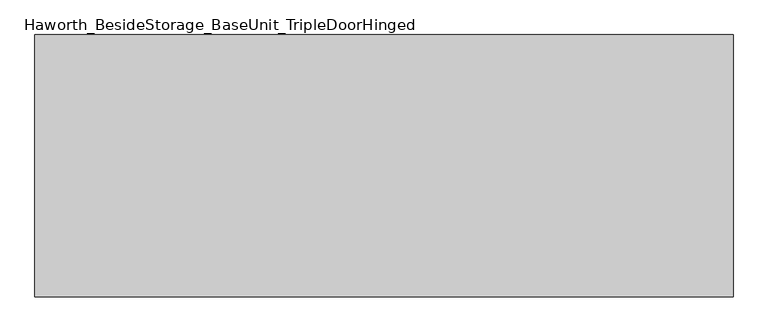
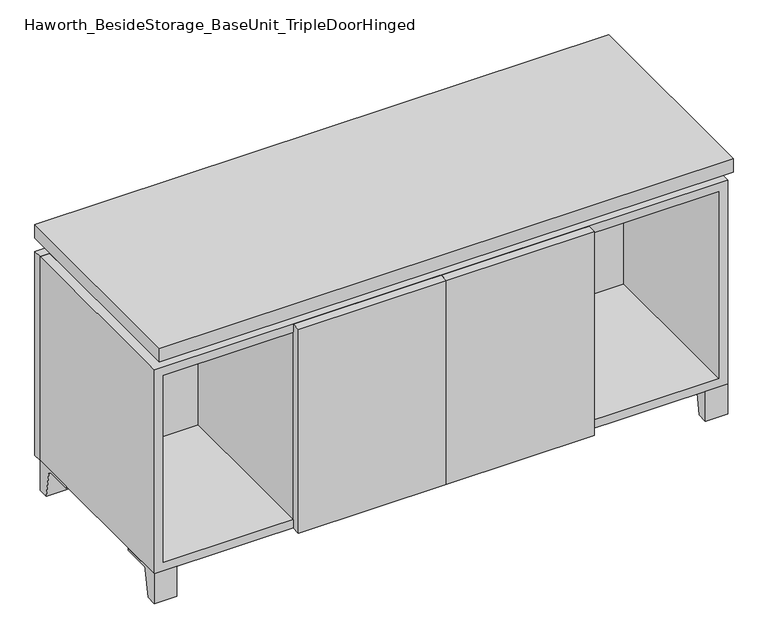
"""IFC4 building model written with IfcOpenShell, lengths in millimetres: furniture geometry, Haworth_BesideStorage_BaseUnit_TripleDoorHinged."""

import ifcopenshell
import ifcopenshell.guid

model = None  # the IFC model being written
_history = None  # IfcOwnerHistory: only IFC2X3 demands one
_inside = {}  # id of a spatial element -> (the spatial element, [elements in it])
_under = {}  # id of a project, library or spatial element -> (it, [spatial elements below it])
_declared = {}  # id of a project -> (the project, [libraries it declares])
_typed = {}  # id of a type object -> (the type object, [elements of that type])
_made_of = {}  # id of a material, layer set ... -> (it, [elements and type objects made of it])


def new_model(schema):
    """Start an empty IFC model of exactly this schema.

    Asked for "IFC4X3", IfcOpenShell would pick the latest addendum, in which some entities
    have other attributes; the version numbers below select the first issue.
    IFC2X3 requires an IfcOwnerHistory on every rooted entity: one is made here for all.
    """
    global model, _history
    if schema == "IFC4X3":
        model = ifcopenshell.file(schema_version=(4, 3, 0, 0))
    else:
        model = ifcopenshell.file(schema=schema)
    _inside.clear()
    _under.clear()
    _declared.clear()
    _typed.clear()
    _made_of.clear()
    _history = None
    if model.schema == "IFC2X3":
        org = make("IfcOrganization", Name="unknown")
        user = make(
            "IfcPersonAndOrganization",
            ThePerson=make("IfcPerson", FamilyName="unknown"),
            TheOrganization=org,
        )
        app = make(
            "IfcApplication",
            ApplicationDeveloper=org,
            Version="unknown",
            ApplicationFullName="unknown",
            ApplicationIdentifier="unknown",
        )
        _history = make(
            "IfcOwnerHistory",
            OwningUser=user,
            OwningApplication=app,
            ChangeAction="ADDED",
            CreationDate=0,
        )
    return model


def make(cls, **values):
    """One entity of the class cls with the attributes given. An attribute that is None is left unset."""
    return model.create_entity(
        cls, **{name: value for name, value in values.items() if value is not None}
    )


def rooted(cls, **values):
    """An entity with a GlobalId (a new one), such as an element, a storey or a relation."""
    return make(cls, GlobalId=ifcopenshell.guid.new(), OwnerHistory=_history, **values)


def si_unit(unit_type, name, prefix=None):
    """IfcSIUnit, for example si_unit("LENGTHUNIT", "METRE", prefix="MILLI")."""
    return make("IfcSIUnit", UnitType=unit_type, Prefix=prefix, Name=name)


def assignment(units):
    """IfcUnitAssignment: the units of a project."""
    return None if units is None else make("IfcUnitAssignment", Units=units)


def point(xyz):
    """IfcCartesianPoint."""
    return None if xyz is None else make("IfcCartesianPoint", Coordinates=xyz)


def direction(xyz):
    """IfcDirection."""
    return None if xyz is None else make("IfcDirection", DirectionRatios=xyz)


def frame(location, z_axis=None, x_axis=None):
    """IfcAxis2Placement3D, a coordinate frame: its origin and axes. An axis left out is left unset."""
    return make(
        "IfcAxis2Placement3D",
        Location=point(location),
        Axis=direction(z_axis),
        RefDirection=direction(x_axis),
    )


def frame_2d(location, x_axis=None):
    """IfcAxis2Placement2D, a coordinate frame in the plane: its origin and x axis."""
    return make(
        "IfcAxis2Placement2D", Location=point(location), RefDirection=direction(x_axis)
    )


def origin():
    """The frame at (0, 0, 0) with its axes left unset."""
    return frame((0.0, 0.0, 0.0))


def place(relative_to, where):
    """IfcLocalPlacement: puts the frame where relative to a parent placement (None: the world)."""
    return make(
        "IfcLocalPlacement", PlacementRelTo=relative_to, RelativePlacement=where
    )


def context(
    kind, dimensions, precision=None, world=None, true_north=None, identifier=None
):
    """IfcGeometricRepresentationContext, for example the 3D "Model" context."""
    return make(
        "IfcGeometricRepresentationContext",
        ContextIdentifier=identifier,
        ContextType=kind,
        CoordinateSpaceDimension=dimensions,
        Precision=precision,
        WorldCoordinateSystem=world,
        TrueNorth=true_north,
    )


def project(units=None, contexts=None):
    """IfcProject with its units and contexts."""
    return rooted(
        "IfcProject",
        Name="project",
        RepresentationContexts=contexts,
        UnitsInContext=assignment(units),
    )


def spatial(cls, under=None, at=None, **own):
    """A site, building, storey or space (cls), placed at a placement, below another one or the project."""
    s = rooted(cls, ObjectPlacement=at, **own)
    if under is not None:
        _under.setdefault(under.id(), (under, []))[1].append(s)
    return s


def polyline(points):
    """IfcPolyline through the points."""
    return make("IfcPolyline", Points=[point(p) for p in points])


def circle_curve(where, radius):
    """IfcCircle in the frame where."""
    return make("IfcCircle", Position=where, Radius=radius)


def trimmed(basis, trim1, trim2, sense, master):
    """IfcTrimmedCurve: the piece of a basis curve between two trims."""
    return make(
        "IfcTrimmedCurve",
        BasisCurve=basis,
        Trim1=trim1,
        Trim2=trim2,
        SenseAgreement=sense,
        MasterRepresentation=master,
    )


def segment(curve, same_sense, transition):
    """IfcCompositeCurveSegment."""
    return make(
        "IfcCompositeCurveSegment",
        Transition=transition,
        SameSense=same_sense,
        ParentCurve=curve,
    )


def composite_curve(segments, self_intersect=None):
    """IfcCompositeCurve: segments joined end to end."""
    return make("IfcCompositeCurve", Segments=segments, SelfIntersect=self_intersect)


def outline(outer, holes=None, kind="AREA"):
    """IfcArbitraryClosedProfileDef: a profile drawn as a closed curve; with holes, ...WithVoids."""
    if holes is None:
        return make("IfcArbitraryClosedProfileDef", ProfileType=kind, OuterCurve=outer)
    return make(
        "IfcArbitraryProfileDefWithVoids",
        ProfileType=kind,
        OuterCurve=outer,
        InnerCurves=holes,
    )


def extrude(swept, where, along, depth):
    """IfcExtrudedAreaSolid: the profile swept, set in the frame where, extruded along a direction by depth."""
    return make(
        "IfcExtrudedAreaSolid",
        SweptArea=swept,
        Position=where,
        ExtrudedDirection=direction(along),
        Depth=depth,
    )


def faces_of(points, faces, orient=None, outer=None):
    """IfcFace entities. A face is a list of loops; a loop is a list of indices into points, from 0.

    orient and outer hold one flag for each loop. By default every Orientation is true, the
    first loop of a face is its IfcFaceOuterBound and the others are IfcFaceBound.
    """
    made = []
    for i, loops in enumerate(faces):
        bounds = []
        for j, loop in enumerate(loops):
            is_outer = j == 0 if outer is None else outer[i][j]
            bounds.append(
                make(
                    "IfcFaceOuterBound" if is_outer else "IfcFaceBound",
                    Bound=make("IfcPolyLoop", Polygon=[points[k] for k in loop]),
                    Orientation=True if orient is None else orient[i][j],
                )
            )
        made.append(make("IfcFace", Bounds=bounds))
    return made


def faceted_brep(points, faces, orient=None, outer=None, voids=None):
    """IfcFacetedBrep: a solid bounded by flat faces; with voids (closed shells), ...WithVoids."""
    shared = [point(p) for p in points]
    hull = make("IfcClosedShell", CfsFaces=faces_of(shared, faces, orient, outer))
    if voids is None:
        return make("IfcFacetedBrep", Outer=hull)
    return make(
        "IfcFacetedBrepWithVoids",
        Outer=hull,
        Voids=[
            make(cls, CfsFaces=faces_of(shared, fs, o, b)) for cls, fs, o, b in voids
        ],
    )


def shape(context_of_items, identifier, shape_type, items):
    """IfcShapeRepresentation: the items that make up one representation, for example the "Body"."""
    return make(
        "IfcShapeRepresentation",
        ContextOfItems=context_of_items,
        RepresentationIdentifier=identifier,
        RepresentationType=shape_type,
        Items=items,
    )


def source(mapping_origin, context_of_items, identifier, shape_type, items):
    """IfcRepresentationMap: a shape defined once, which mapped items show again and again."""
    return make(
        "IfcRepresentationMap",
        MappingOrigin=mapping_origin,
        MappedRepresentation=shape(context_of_items, identifier, shape_type, items),
    )


def transform(
    local_origin,
    x_axis=None,
    y_axis=None,
    z_axis=None,
    scale=None,
    scale2=None,
    scale3=None,
    uniform=True,
):
    """IfcCartesianTransformationOperator3D, or its non-uniform kind. x_axis, y_axis, z_axis: its Axis1, 2, 3."""
    if uniform:
        return make(
            "IfcCartesianTransformationOperator3D",
            Axis1=direction(x_axis),
            Axis2=direction(y_axis),
            LocalOrigin=point(local_origin),
            Scale=scale,
            Axis3=direction(z_axis),
        )
    return make(
        "IfcCartesianTransformationOperator3DnonUniform",
        Axis1=direction(x_axis),
        Axis2=direction(y_axis),
        LocalOrigin=point(local_origin),
        Scale=scale,
        Axis3=direction(z_axis),
        Scale2=scale2,
        Scale3=scale3,
    )


def mapped(mapping_source, mapping_target):
    """IfcMappedItem: shows the shape of a source again, moved by a transform."""
    return make(
        "IfcMappedItem", MappingSource=mapping_source, MappingTarget=mapping_target
    )


def made_of(thing, what):
    """Note that an element or type object is made of a material, layer set ...; save() writes the relation."""
    if what is not None:
        _made_of.setdefault(what.id(), (what, []))[1].append(thing)
    return thing


def element(
    cls,
    number,
    at=None,
    inside=None,
    cuts=None,
    type_object=None,
    material=None,
    context=None,
    identifier="Body",
    shape_type=None,
    held_by="IfcProductDefinitionShape",
    body=None,
    shapes=None,
    **own,
):
    """One element of the class cls, such as IfcWall. Its Tag is "e" and its number.

    at: its placement. inside: the storey or other place that contains it. cuts: it is an
    opening in that element (IfcRelVoidsElement). A single representation is given by context,
    identifier, shape_type and body (its items); several are given by shapes. held_by: the class
    of the entity that holds the representations. save() writes the other relations.
    """
    e = rooted(cls, Tag="e%d" % number, ObjectPlacement=at, **own)
    if body is not None:
        shapes = [shape(context, identifier, shape_type, body)]
    if shapes is not None:
        e.Representation = make(held_by, Representations=shapes)
    if inside is not None:
        _inside.setdefault(inside.id(), (inside, []))[1].append(e)
    if cuts is not None:
        rooted(
            "IfcRelVoidsElement", RelatingBuildingElement=cuts, RelatedOpeningElement=e
        )
    if type_object is not None:
        _typed.setdefault(type_object.id(), (type_object, []))[1].append(e)
    return made_of(e, material)


def aggregate(whole, parts):
    """IfcRelAggregates: a whole, such as a stair, and the parts it consists of."""
    return rooted("IfcRelAggregates", RelatingObject=whole, RelatedObjects=parts)


def save(model, path):
    """Write the relations noted so far, then the file.

    IfcRelAggregates (storeys below a building ...), IfcRelContainedInSpatialStructure (elements
    in a storey), IfcRelDefinesByType, IfcRelAssociatesMaterial and IfcRelDeclares: one each for
    every whole, place, type object, material and project.
    """
    for whole, parts in _under.values():
        aggregate(whole, parts)
    for where, things in _inside.values():
        rooted(
            "IfcRelContainedInSpatialStructure",
            RelatedElements=things,
            RelatingStructure=where,
        )
    for kind, things in _typed.values():
        rooted("IfcRelDefinesByType", RelatedObjects=things, RelatingType=kind)
    for what, things in _made_of.values():
        rooted("IfcRelAssociatesMaterial", RelatedObjects=things, RelatingMaterial=what)
    for by, libraries in _declared.values():
        rooted("IfcRelDeclares", RelatingContext=by, RelatedDefinitions=libraries)
    model.write(path)


def haworth_besidestorage_baseunit_tripledoorhinged_60ce3a8a(model_context):
    return source(origin(), model_context, "Body", "SolidModel", [
        extrude(outline(composite_curve([segment(polyline([(38.6291531, 0.0), (15.875, 0.0), (15.875, 66.675), (111.125, 66.675), (111.125, 61.8963321), (54.3244655, 61.8963321)]), True, "CONTINUOUS"), segment(trimmed(circle_curve(frame_2d((54.3244655, 55.5463321)), 6.35), [point((54.3244655, 61.8963321))], [point((48.0608641, 56.5902656))], True, "CARTESIAN"), True, "CONTINUOUS"), segment(polyline([(48.0608641, 56.5902656), (38.6291531, 0.0)]), True, "CONTINUOUS")], self_intersect=False)), frame((-23.7986094, 0.0, 0.0), z_axis=(1.0, 0.0, 0.0), x_axis=(0.0, 1.0, 0.0)), (0.0, 0.0, 1.0), 47.625),
        extrude(outline(composite_curve([segment(polyline([(-129.6458469, 0.0), (-152.4, 0.0), (-152.4, 66.675), (-57.15, 66.675), (-57.15, 61.8963321), (-113.9505345, 61.8963321)]), True, "CONTINUOUS"), segment(trimmed(circle_curve(frame_2d((-113.9505345, 55.5463321)), 6.35), [point((-113.9505345, 61.8963321))], [point((-120.2141359, 56.5902656))], True, "CARTESIAN"), True, "CONTINUOUS"), segment(polyline([(-120.2141359, 56.5902656), (-129.6458469, 0.0)]), True, "CONTINUOUS")], self_intersect=False)), frame((560.4013906, 0.0, 0.0), z_axis=(1.0, 0.0, 0.0), x_axis=(0.0, 1.0, 0.0)), (0.0, 0.0, 1.0), 47.625),
        extrude(outline(composite_curve([segment(polyline([(243.9458469, 0.0), (234.5141359, 56.5902656)]), True, "CONTINUOUS"), segment(trimmed(circle_curve(frame_2d((228.2505345, 55.5463321)), 6.35), [point((234.5141359, 56.5902656))], [point((228.2505345, 61.8963321))], True, "CARTESIAN"), True, "CONTINUOUS"), segment(polyline([(228.2505345, 61.8963321), (171.45, 61.8963321), (171.45, 66.675), (266.7, 66.675), (266.7, 0.0), (243.9458469, 0.0)]), True, "CONTINUOUS")], self_intersect=False)), frame((560.4013906, 0.0, 0.0), z_axis=(1.0, 0.0, 0.0), x_axis=(0.0, 1.0, 0.0)), (0.0, 0.0, 1.0), 47.625),
        extrude(outline(composite_curve([segment(polyline([(-129.6458469, 0.0), (-152.4, 0.0), (-152.4, 66.675), (-57.15, 66.675), (-57.15, 61.8963321), (-113.9505345, 61.8963321)]), True, "CONTINUOUS"), segment(trimmed(circle_curve(frame_2d((-113.9505345, 55.5463321)), 6.35), [point((-113.9505345, 61.8963321))], [point((-120.2141359, 56.5902656))], True, "CARTESIAN"), True, "CONTINUOUS"), segment(polyline([(-120.2141359, 56.5902656), (-129.6458469, 0.0)]), True, "CONTINUOUS")], self_intersect=False)), frame((-607.9986094, 0.0, 0.0), z_axis=(1.0, 0.0, 0.0), x_axis=(0.0, 1.0, 0.0)), (0.0, 0.0, 1.0), 47.625),
        extrude(outline(composite_curve([segment(polyline([(243.9458469, 0.0), (234.5141359, 56.5902656)]), True, "CONTINUOUS"), segment(trimmed(circle_curve(frame_2d((228.2505345, 55.5463321)), 6.35), [point((234.5141359, 56.5902656))], [point((228.2505345, 61.8963321))], True, "CARTESIAN"), True, "CONTINUOUS"), segment(polyline([(228.2505345, 61.8963321), (171.45, 61.8963321), (171.45, 66.675), (266.7, 66.675), (266.7, 0.0), (243.9458469, 0.0)]), True, "CONTINUOUS")], self_intersect=False)), frame((-607.9986094, 0.0, 0.0), z_axis=(1.0, 0.0, 0.0), x_axis=(0.0, 1.0, 0.0)), (0.0, 0.0, 1.0), 47.625),
        faceted_brep([(-607.9986094, -152.4, 66.675), (608.0125, -152.4, 66.675), (608.0125, -152.4, 523.875), (-607.9986094, -152.4, 523.875), (-588.9486094, -152.4, 85.725), (-588.9486094, -152.4, 504.825), (588.9694453, -152.4, 504.825), (588.9486094, -152.4, 85.725), (-607.9986094, 266.7, 66.675), (-607.9986094, 266.7, 523.875), (-588.9486094, 266.7, 523.875), (-588.9486094, 266.7, 85.725), (588.9486094, 266.7, 85.725), (588.9486094, 266.7, 523.875), (608.0125, 266.7, 523.875), (608.0125, 266.7, 66.675), (588.9486094, 241.3, 523.875), (-588.9416641, 241.3, 523.875), (-588.9486094, 241.3, 504.825), (588.9486094, 241.3, 504.825)], [[[0, 1, 2, 3], [4, 5, 6, 7]], [[8, 9, 10, 11, 12, 13, 14, 15]], [[1, 0, 8, 15]], [[2, 1, 15, 14]], [[3, 2, 14, 13, 16, 17, 10, 9]], [[0, 3, 9, 8]], [[11, 10, 17, 18, 5, 4]], [[13, 12, 7, 6, 19, 16]], [[4, 7, 12, 11]], [[6, 5, 18, 19]], [[17, 16, 19, 18]]]),
        extrude(outline(polyline([(608.0263906, -171.45), (-607.9986094, -171.45), (-607.9986094, 285.75), (608.0263906, 285.75), (608.0263906, -171.45)])), frame((0.0, 0.0, 554.0375), z_axis=(0.0, 0.0, 1.0), x_axis=(1.0, 0.0, 0.0)), (0.0, 0.0, 1.0), 30.1625),
        faceted_brep([(7.9513906, -76.2, 554.0375), (7.9513906, -76.2, 523.875), (7.9513906, 47.625, 523.875), (7.9513906, 47.625, 554.0375), (7.9513906, 190.5, 523.875), (7.9513906, 190.5, 554.0375), (7.9513906, 66.675, 554.0375), (7.9513906, 66.675, 523.875), (-7.9236094, 190.5, 554.0375), (-7.9236094, 190.5, 523.875), (-7.9236094, 66.675, 523.875), (-7.9236094, 66.675, 554.0375), (-7.9236094, -76.2, 523.875), (-7.9236094, -76.2, 554.0375), (-7.9236094, 47.625, 554.0375), (-7.9236094, 47.625, 523.875), (-566.6958281, 66.675, 554.0375), (-566.7166641, 241.3, 554.0375), (-582.5916641, 241.3, 554.0375), (-582.5916641, -127.0, 554.0375), (-566.7166641, -127.0, 554.0375), (-566.7166641, 47.625, 554.0375), (566.7236094, 47.625, 554.0375), (566.7236094, -127.0, 554.0375), (582.5986094, -127.0, 554.0375), (582.5986094, 241.3, 554.0375), (566.7236094, 241.3, 554.0375), (566.7236094, 66.675, 554.0375), (-566.6958281, 47.625, 523.875), (-566.7166641, -127.0, 523.875), (-582.5916641, -127.0, 523.875), (-582.5916641, 241.3, 523.875), (-566.7166641, 241.3, 523.875), (-566.7166641, 66.675, 523.875), (566.7236094, 66.675, 523.875), (566.7236094, 241.3, 523.875), (582.5986094, 241.3, 523.875), (582.5986094, -127.0, 523.875), (566.7236094, -127.0, 523.875), (566.7236094, 47.625, 523.875)], [[[0, 1, 2, 3]], [[4, 5, 6, 7]], [[8, 9, 10, 11]], [[12, 13, 14, 15]], [[5, 8, 11, 16, 17, 18, 19, 20, 21, 14, 13, 0, 3, 22, 23, 24, 25, 26, 27, 6]], [[1, 12, 15, 28, 29, 30, 31, 32, 33, 10, 9, 4, 7, 34, 35, 36, 37, 38, 39, 2]], [[5, 4, 9, 8]], [[1, 0, 13, 12]], [[6, 27, 34, 7]], [[22, 3, 2, 39]], [[20, 29, 28, 21]], [[32, 17, 16, 33]], [[18, 31, 30, 19]], [[29, 20, 19, 30]], [[17, 32, 31, 18]], [[26, 35, 34, 27]], [[38, 23, 22, 39]], [[25, 24, 37, 36]], [[23, 38, 37, 24]], [[35, 26, 25, 36]], [[16, 11, 10, 33]], [[14, 21, 28, 15]]]),
        extrude(outline(polyline([(608.0263906, 266.7), (-607.9986094, 266.7), (-607.9986094, 285.75), (608.0263906, 285.75), (608.0263906, 266.7)])), frame((0.0, 0.0, 66.675), z_axis=(0.0, 0.0, 1.0), x_axis=(1.0, 0.0, 0.0)), (0.0, 0.0, 1.0), 457.2),
        extrude(outline(polyline([(-588.9416641, 196.85), (-588.9416641, 203.2), (588.9694453, 203.2), (588.9694453, 196.85), (-588.9416641, 196.85)])), frame((0.0, 0.0, 85.725), z_axis=(0.0, 0.0, 1.0), x_axis=(1.0, 0.0, 0.0)), (0.0, 0.0, 1.0), 419.1),
        extrude(outline(polyline([(0.0138906, -171.45), (0.0138906, -152.4), (313.5451406, -152.4), (313.5451406, -171.45), (0.0138906, -171.45)])), frame((0.0, 0.0, 66.675), z_axis=(0.0, 0.0, 1.0), x_axis=(1.0, 0.0, 0.0)), (0.0, 0.0, 1.0), 457.2),
        extrude(outline(polyline([(0.0138906, -171.45), (-313.5173594, -171.45), (-313.5173594, -152.4), (0.0138906, -152.4), (0.0138906, -171.45)])), frame((0.0, 0.0, 66.675), z_axis=(0.0, 0.0, 1.0), x_axis=(1.0, 0.0, 0.0)), (0.0, 0.0, 1.0), 457.2),
        extrude(outline(polyline([(294.4951406, 196.85), (313.5451406, 196.85), (313.5451406, -152.4), (294.4951406, -152.4), (294.4951406, 196.85)])), frame((0.0, 0.0, 85.725), z_axis=(0.0, 0.0, 1.0), x_axis=(1.0, 0.0, 0.0)), (0.0, 0.0, 1.0), 419.1),
        extrude(outline(polyline([(-313.5173594, 196.85), (-294.4673594, 196.85), (-294.4673594, -152.4), (-313.5173594, -152.4), (-313.5173594, 196.85)])), frame((0.0, 0.0, 85.725), z_axis=(0.0, 0.0, 1.0), x_axis=(1.0, 0.0, 0.0)), (0.0, 0.0, 1.0), 419.1),
    ])


if __name__ == "__main__":
    model = new_model("IFC4")
    model_context = context("Model", 3, world=origin())
    ifc_project = project(units=[si_unit("LENGTHUNIT", "METRE", prefix="MILLI")], contexts=[model_context])
    site = spatial("IfcSite", under=ifc_project)
    building = spatial("IfcBuilding", under=site)
    placement = place(None, origin())
    haworth_besidestorage_baseunit_tripledoorhinged_shape = haworth_besidestorage_baseunit_tripledoorhinged_60ce3a8a(model_context)
    element("IfcFurniture", 1, ObjectType="Haworth_BesideStorage_BaseUnit_TripleDoorHinged", at=placement, inside=building, context=model_context, shape_type="MappedRepresentation", body=[
        mapped(haworth_besidestorage_baseunit_tripledoorhinged_shape, transform((0.0, 0.0, 0.0), x_axis=(1.0, 0.0, 0.0), y_axis=(0.0, 1.0, 0.0), z_axis=(0.0, 0.0, 1.0))),
    ])
    save(model, "model.ifc")
